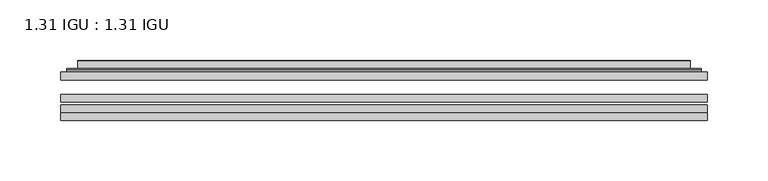
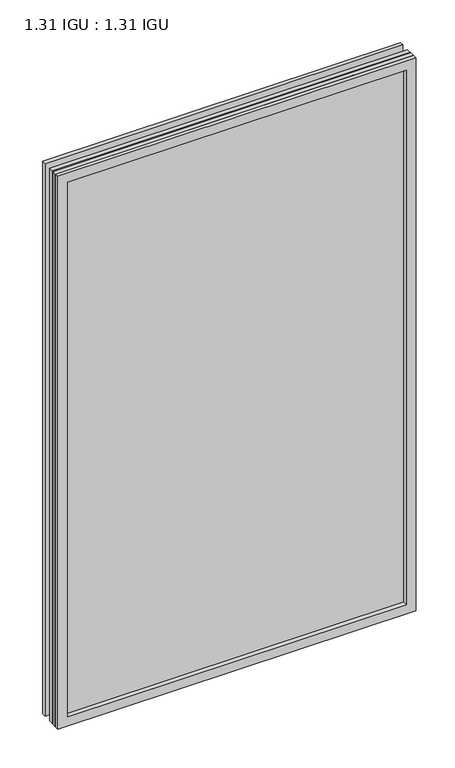
"""IFC4 building model written with IfcOpenShell, lengths in millimetres: plate geometry, 1.31 IGU : 1.31 IGU."""

import ifcopenshell
import ifcopenshell.guid

model = None  # the IFC model being written
_history = None  # IfcOwnerHistory: only IFC2X3 demands one
_inside = {}  # id of a spatial element -> (the spatial element, [elements in it])
_under = {}  # id of a project, library or spatial element -> (it, [spatial elements below it])
_declared = {}  # id of a project -> (the project, [libraries it declares])
_typed = {}  # id of a type object -> (the type object, [elements of that type])
_made_of = {}  # id of a material, layer set ... -> (it, [elements and type objects made of it])


def new_model(schema):
    """Start an empty IFC model of exactly this schema.

    Asked for "IFC4X3", IfcOpenShell would pick the latest addendum, in which some entities
    have other attributes; the version numbers below select the first issue.
    IFC2X3 requires an IfcOwnerHistory on every rooted entity: one is made here for all.
    """
    global model, _history
    if schema == "IFC4X3":
        model = ifcopenshell.file(schema_version=(4, 3, 0, 0))
    else:
        model = ifcopenshell.file(schema=schema)
    _inside.clear()
    _under.clear()
    _declared.clear()
    _typed.clear()
    _made_of.clear()
    _history = None
    if model.schema == "IFC2X3":
        org = make("IfcOrganization", Name="unknown")
        user = make(
            "IfcPersonAndOrganization",
            ThePerson=make("IfcPerson", FamilyName="unknown"),
            TheOrganization=org,
        )
        app = make(
            "IfcApplication",
            ApplicationDeveloper=org,
            Version="unknown",
            ApplicationFullName="unknown",
            ApplicationIdentifier="unknown",
        )
        _history = make(
            "IfcOwnerHistory",
            OwningUser=user,
            OwningApplication=app,
            ChangeAction="ADDED",
            CreationDate=0,
        )
    return model


def make(cls, **values):
    """One entity of the class cls with the attributes given. An attribute that is None is left unset."""
    return model.create_entity(
        cls, **{name: value for name, value in values.items() if value is not None}
    )


def rooted(cls, **values):
    """An entity with a GlobalId (a new one), such as an element, a storey or a relation."""
    return make(cls, GlobalId=ifcopenshell.guid.new(), OwnerHistory=_history, **values)


def si_unit(unit_type, name, prefix=None):
    """IfcSIUnit, for example si_unit("LENGTHUNIT", "METRE", prefix="MILLI")."""
    return make("IfcSIUnit", UnitType=unit_type, Prefix=prefix, Name=name)


def assignment(units):
    """IfcUnitAssignment: the units of a project."""
    return None if units is None else make("IfcUnitAssignment", Units=units)


def point(xyz):
    """IfcCartesianPoint."""
    return None if xyz is None else make("IfcCartesianPoint", Coordinates=xyz)


def direction(xyz):
    """IfcDirection."""
    return None if xyz is None else make("IfcDirection", DirectionRatios=xyz)


def frame(location, z_axis=None, x_axis=None):
    """IfcAxis2Placement3D, a coordinate frame: its origin and axes. An axis left out is left unset."""
    return make(
        "IfcAxis2Placement3D",
        Location=point(location),
        Axis=direction(z_axis),
        RefDirection=direction(x_axis),
    )


def origin():
    """The frame at (0, 0, 0) with its axes left unset."""
    return frame((0.0, 0.0, 0.0))


def place(relative_to, where):
    """IfcLocalPlacement: puts the frame where relative to a parent placement (None: the world)."""
    return make(
        "IfcLocalPlacement", PlacementRelTo=relative_to, RelativePlacement=where
    )


def context(
    kind, dimensions, precision=None, world=None, true_north=None, identifier=None
):
    """IfcGeometricRepresentationContext, for example the 3D "Model" context."""
    return make(
        "IfcGeometricRepresentationContext",
        ContextIdentifier=identifier,
        ContextType=kind,
        CoordinateSpaceDimension=dimensions,
        Precision=precision,
        WorldCoordinateSystem=world,
        TrueNorth=true_north,
    )


def project(units=None, contexts=None):
    """IfcProject with its units and contexts."""
    return rooted(
        "IfcProject",
        Name="project",
        RepresentationContexts=contexts,
        UnitsInContext=assignment(units),
    )


def spatial(cls, under=None, at=None, **own):
    """A site, building, storey or space (cls), placed at a placement, below another one or the project."""
    s = rooted(cls, ObjectPlacement=at, **own)
    if under is not None:
        _under.setdefault(under.id(), (under, []))[1].append(s)
    return s


def polyline(points):
    """IfcPolyline through the points."""
    return make("IfcPolyline", Points=[point(p) for p in points])


def ellipse_curve(where, semi_axis1, semi_axis2):
    """IfcEllipse in the frame where."""
    return make(
        "IfcEllipse", Position=where, SemiAxis1=semi_axis1, SemiAxis2=semi_axis2
    )


def outline(outer, holes=None, kind="AREA"):
    """IfcArbitraryClosedProfileDef: a profile drawn as a closed curve; with holes, ...WithVoids."""
    if holes is None:
        return make("IfcArbitraryClosedProfileDef", ProfileType=kind, OuterCurve=outer)
    return make(
        "IfcArbitraryProfileDefWithVoids",
        ProfileType=kind,
        OuterCurve=outer,
        InnerCurves=holes,
    )


def extrude(swept, where, along, depth):
    """IfcExtrudedAreaSolid: the profile swept, set in the frame where, extruded along a direction by depth."""
    return make(
        "IfcExtrudedAreaSolid",
        SweptArea=swept,
        Position=where,
        ExtrudedDirection=direction(along),
        Depth=depth,
    )


def faces_of(points, faces, orient=None, outer=None):
    """IfcFace entities. A face is a list of loops; a loop is a list of indices into points, from 0.

    orient and outer hold one flag for each loop. By default every Orientation is true, the
    first loop of a face is its IfcFaceOuterBound and the others are IfcFaceBound.
    """
    made = []
    for i, loops in enumerate(faces):
        bounds = []
        for j, loop in enumerate(loops):
            is_outer = j == 0 if outer is None else outer[i][j]
            bounds.append(
                make(
                    "IfcFaceOuterBound" if is_outer else "IfcFaceBound",
                    Bound=make("IfcPolyLoop", Polygon=[points[k] for k in loop]),
                    Orientation=True if orient is None else orient[i][j],
                )
            )
        made.append(make("IfcFace", Bounds=bounds))
    return made


def faceted_brep(points, faces, orient=None, outer=None, voids=None):
    """IfcFacetedBrep: a solid bounded by flat faces; with voids (closed shells), ...WithVoids."""
    shared = [point(p) for p in points]
    hull = make("IfcClosedShell", CfsFaces=faces_of(shared, faces, orient, outer))
    if voids is None:
        return make("IfcFacetedBrep", Outer=hull)
    return make(
        "IfcFacetedBrepWithVoids",
        Outer=hull,
        Voids=[
            make(cls, CfsFaces=faces_of(shared, fs, o, b)) for cls, fs, o, b in voids
        ],
    )


def shape(context_of_items, identifier, shape_type, items):
    """IfcShapeRepresentation: the items that make up one representation, for example the "Body"."""
    return make(
        "IfcShapeRepresentation",
        ContextOfItems=context_of_items,
        RepresentationIdentifier=identifier,
        RepresentationType=shape_type,
        Items=items,
    )


def source(mapping_origin, context_of_items, identifier, shape_type, items):
    """IfcRepresentationMap: a shape defined once, which mapped items show again and again."""
    return make(
        "IfcRepresentationMap",
        MappingOrigin=mapping_origin,
        MappedRepresentation=shape(context_of_items, identifier, shape_type, items),
    )


def transform(
    local_origin,
    x_axis=None,
    y_axis=None,
    z_axis=None,
    scale=None,
    scale2=None,
    scale3=None,
    uniform=True,
):
    """IfcCartesianTransformationOperator3D, or its non-uniform kind. x_axis, y_axis, z_axis: its Axis1, 2, 3."""
    if uniform:
        return make(
            "IfcCartesianTransformationOperator3D",
            Axis1=direction(x_axis),
            Axis2=direction(y_axis),
            LocalOrigin=point(local_origin),
            Scale=scale,
            Axis3=direction(z_axis),
        )
    return make(
        "IfcCartesianTransformationOperator3DnonUniform",
        Axis1=direction(x_axis),
        Axis2=direction(y_axis),
        LocalOrigin=point(local_origin),
        Scale=scale,
        Axis3=direction(z_axis),
        Scale2=scale2,
        Scale3=scale3,
    )


def mapped(mapping_source, mapping_target):
    """IfcMappedItem: shows the shape of a source again, moved by a transform."""
    return make(
        "IfcMappedItem", MappingSource=mapping_source, MappingTarget=mapping_target
    )


def made_of(thing, what):
    """Note that an element or type object is made of a material, layer set ...; save() writes the relation."""
    if what is not None:
        _made_of.setdefault(what.id(), (what, []))[1].append(thing)
    return thing


def element(
    cls,
    number,
    at=None,
    inside=None,
    cuts=None,
    type_object=None,
    material=None,
    context=None,
    identifier="Body",
    shape_type=None,
    held_by="IfcProductDefinitionShape",
    body=None,
    shapes=None,
    **own,
):
    """One element of the class cls, such as IfcWall. Its Tag is "e" and its number.

    at: its placement. inside: the storey or other place that contains it. cuts: it is an
    opening in that element (IfcRelVoidsElement). A single representation is given by context,
    identifier, shape_type and body (its items); several are given by shapes. held_by: the class
    of the entity that holds the representations. save() writes the other relations.
    """
    e = rooted(cls, Tag="e%d" % number, ObjectPlacement=at, **own)
    if body is not None:
        shapes = [shape(context, identifier, shape_type, body)]
    if shapes is not None:
        e.Representation = make(held_by, Representations=shapes)
    if inside is not None:
        _inside.setdefault(inside.id(), (inside, []))[1].append(e)
    if cuts is not None:
        rooted(
            "IfcRelVoidsElement", RelatingBuildingElement=cuts, RelatedOpeningElement=e
        )
    if type_object is not None:
        _typed.setdefault(type_object.id(), (type_object, []))[1].append(e)
    return made_of(e, material)


def aggregate(whole, parts):
    """IfcRelAggregates: a whole, such as a stair, and the parts it consists of."""
    return rooted("IfcRelAggregates", RelatingObject=whole, RelatedObjects=parts)


def save(model, path):
    """Write the relations noted so far, then the file.

    IfcRelAggregates (storeys below a building ...), IfcRelContainedInSpatialStructure (elements
    in a storey), IfcRelDefinesByType, IfcRelAssociatesMaterial and IfcRelDeclares: one each for
    every whole, place, type object, material and project.
    """
    for whole, parts in _under.values():
        aggregate(whole, parts)
    for where, things in _inside.values():
        rooted(
            "IfcRelContainedInSpatialStructure",
            RelatedElements=things,
            RelatingStructure=where,
        )
    for kind, things in _typed.values():
        rooted("IfcRelDefinesByType", RelatedObjects=things, RelatingType=kind)
    for what, things in _made_of.values():
        rooted("IfcRelAssociatesMaterial", RelatedObjects=things, RelatingMaterial=what)
    for by, libraries in _declared.values():
        rooted("IfcRelDeclares", RelatingContext=by, RelatedDefinitions=libraries)
    model.write(path)


def plane_surface(at):
    """IfcPlane: the flat surface through the origin of the frame at, square to its z axis."""
    return make("IfcPlane", Position=at)


def cylinder_surface(at, radius):
    """IfcCylindricalSurface: all points at the distance radius from the z axis of the frame at."""
    return make("IfcCylindricalSurface", Position=at, Radius=radius)


def advanced_brep(points, edges, surfaces, faces):
    """IfcAdvancedBrep: a solid bounded by faces that lie on surfaces and meet in shared edges.

    An edge is (start, end): straight between two places in points (the first is 0);
    or (start, end, curve); or (start, end, curve, False) where it runs against its curve.
    A face is (place in surfaces, loops), or (place, loops, False) where it looks against
    its surface's normal. A loop lists edges by number (the first is 1), with a minus sign
    where the edge is run from its end to its start. The first loop is the outer one.
    """
    corners = [point(p) for p in points]
    vertices = [make("IfcVertexPoint", VertexGeometry=c) for c in corners]
    made = []
    for start, end, *more in edges:
        made.append(
            make(
                "IfcEdgeCurve",
                EdgeStart=vertices[start],
                EdgeEnd=vertices[end],
                EdgeGeometry=more[0] if more else make("IfcPolyline", Points=[corners[start], corners[end]]),
                SameSense=more[1] if len(more) > 1 else True,
            )
        )
    hull = []
    for where, loops, *sense in faces:
        bounds = []
        for j, loop in enumerate(loops):
            ring = [make("IfcOrientedEdge", EdgeElement=made[abs(k) - 1], Orientation=k > 0) for k in loop]
            bounds.append(
                make(
                    "IfcFaceOuterBound" if j == 0 else "IfcFaceBound",
                    Bound=make("IfcEdgeLoop", EdgeList=ring),
                    Orientation=True,
                )
            )
        hull.append(make("IfcAdvancedFace", Bounds=bounds, FaceSurface=surfaces[where], SameSense=sense[0] if sense else True))
    return make("IfcAdvancedBrep", Outer=make("IfcClosedShell", CfsFaces=hull))


def plate_1_31_igu_1_31_igu_bd5dd6b6(model_context):
    return source(origin(), model_context, "Body", "SolidModel", [
        extrude(outline(polyline([(266.714175, -63.2975937), (266.714175, -69.6475938), (-266.7, -69.6475938), (-266.7, -63.2975937), (266.714175, -63.2975937)])), frame((0.0, 0.0, -14.2875), z_axis=(0.0, 0.0, 1.0), x_axis=(1.0, 0.0, 0.0)), (0.0, 0.0, 1.0), 869.9537979),
        extrude(outline(polyline([(-266.7, -78.2835938), (-266.7, -71.9330887), (266.714175, -71.9330887), (266.714175, -78.2835938), (-266.7, -78.2835938)])), frame((0.0, 0.0, -14.2875), z_axis=(0.0, 0.0, 1.0), x_axis=(1.0, 0.0, 0.0)), (0.0, 0.0, 1.0), 869.9537979),
        extrude(outline(polyline([(266.714175, -44.9587937), (266.714175, -51.3087938), (-266.7, -51.3087938), (-266.7, -44.9587937), (266.714175, -44.9587937)])), frame((0.0, 0.0, -14.2875), z_axis=(0.0, 0.0, 1.0), x_axis=(1.0, 0.0, 0.0)), (0.0, 0.0, 1.0), 869.9537979),
        faceted_brep([(-266.7127, -84.6335937, 855.6752), (-266.7127, -78.2835937, 855.6752), (-266.7127, -78.2835937, -14.3002), (-266.7127, -84.6335937, -14.3002), (266.7127, -78.2835937, -14.3002), (266.7127, -84.6335937, -14.3002), (266.7127, -78.2835937, 855.6752), (266.7127, -84.6335937, 855.6752), (-251.5147559, -78.2835937, 0.8977441), (251.5147559, -78.2835937, 0.8977441), (251.5147559, -78.2835937, 840.4772559), (-251.5147559, -78.2835937, 840.4772559), (-252.4071902, -84.6335937, 841.3696902), (252.4071902, -84.6335937, 841.3696902), (252.4071902, -84.6335937, 0.0053098), (-252.4071902, -84.6335937, 0.0053098)], [[[0, 1, 2, 3]], [[3, 2, 4, 5]], [[5, 4, 6, 7]], [[1, 6, 4, 2], [8, 9, 10, 11]], [[7, 6, 1, 0]], [[3, 5, 7, 0], [12, 13, 14, 15]], [[11, 12, 15, 8]], [[8, 15, 14, 9]], [[9, 14, 13, 10]], [[10, 13, 12, 11]]]),
        advanced_brep(
        [(-259.458719, -44.9587937, 848.421219), (-261.8129244, -42.9691271, 850.7754244), (-261.8129244, -42.9691271, -9.4004244), (-259.458719, -44.9587937, -7.046219), (-250.3843939, -41.1187568, 839.3468939), (-245.4495621, -44.9587937, 834.4120621), (-245.4495621, -44.9587937, 6.9629379), (-250.3843939, -41.1187568, 2.0281061), (-251.4164217, -35.7215256, 840.3789217), (-251.4164217, -35.7215256, 0.9960783), (-252.4070784, -35.3225507, 841.3695784), (-252.4070784, -35.3225507, 0.0054216), (-252.4070784, -41.7837937, 841.3695784), (-252.4070784, -41.7837937, 0.0054216), (-260.8111349, -41.7837937, 849.7736349), (-260.8111349, -41.7837937, -8.3986349), (261.8129244, -42.9691271, -9.4004244), (259.458719, -44.9587937, -7.046219), (245.4495621, -44.9587937, 6.9629379), (250.3843939, -41.1187568, 2.0281061), (251.4164217, -35.7215256, 0.9960783), (252.4070784, -35.3225507, 0.0054216), (252.4070784, -41.7837937, 0.0054216), (260.8111349, -41.7837937, -8.3986349), (261.8129244, -42.9691271, 850.7754244), (259.458719, -44.9587937, 848.421219), (245.4495621, -44.9587937, 834.4120621), (250.3843939, -41.1187568, 839.3468939), (251.4164217, -35.7215256, 840.3789217), (252.4070784, -35.3225507, 841.3695784), (252.4070784, -41.7837937, 841.3695784), (260.8111349, -41.7837937, 849.7736349)],
        [
            (0, 1, ellipse_curve(frame((-259.458719, -42.5711937, 848.421219), z_axis=(-0.7071067811865475, 0.0, -0.7071067811865475), x_axis=(-0.7071067811865474, 0.0, 0.7071067811865476)), 3.3765763, 2.3876)),
            (1, 2),
            (2, 3, ellipse_curve(frame((-259.458719, -42.5711937, -7.046219), z_axis=(-0.7071067811865475, 0.0, 0.7071067811865475), x_axis=(0.7071067811865474, 0.0, 0.7071067811865476)), 3.3765763, 2.3876)),
            (3, 0),
            (4, 5),
            (5, 6),
            (6, 7),
            (7, 4),
            (8, 4),
            (7, 9),
            (9, 8),
            (10, 8, ellipse_curve(frame((-252.0401219, -35.840786, 841.0026219), z_axis=(-0.7071067811865475, 0.0, -0.7071067811865475), x_axis=(-0.7071067811865474, 0.0, 0.7071067811865476)), 0.8980256, 0.635)),
            (9, 11, ellipse_curve(frame((-252.0401219, -35.840786, 0.3723781), z_axis=(-0.7071067811865475, 0.0, 0.7071067811865475), x_axis=(0.7071067811865474, 0.0, 0.7071067811865476)), 0.8980256, 0.635)),
            (11, 10),
            (12, 10),
            (11, 13),
            (13, 12),
            (1, 14, ellipse_curve(frame((-260.8111349, -42.7997937, 849.7736349), z_axis=(-0.7071067811865475, 0.0, -0.7071067811865475), x_axis=(-0.7071067811865474, 0.0, 0.7071067811865476)), 1.436841, 1.016)),
            (14, 15),
            (15, 2, ellipse_curve(frame((-260.8111349, -42.7997937, -8.3986349), z_axis=(-0.7071067811865475, 0.0, 0.7071067811865475), x_axis=(0.7071067811865474, 0.0, 0.7071067811865476)), 1.436841, 1.016)),
            (2, 16),
            (16, 17, ellipse_curve(frame((259.458719, -42.5711937, -7.046219), z_axis=(-0.7071067811865475, 0.0, -0.7071067811865475), x_axis=(-0.7071067811865476, 0.0, 0.7071067811865474)), 3.3765763, 2.3876)),
            (17, 3),
            (6, 18),
            (18, 19),
            (19, 7),
            (19, 20),
            (20, 9),
            (20, 21, ellipse_curve(frame((252.0401219, -35.840786, 0.3723781), z_axis=(-0.7071067811865475, 0.0, -0.7071067811865475), x_axis=(-0.7071067811865476, 0.0, 0.7071067811865474)), 0.8980256, 0.635)),
            (21, 11),
            (21, 22),
            (22, 13),
            (15, 23),
            (23, 16, ellipse_curve(frame((260.8111349, -42.7997937, -8.3986349), z_axis=(-0.7071067811865475, 0.0, -0.7071067811865475), x_axis=(-0.7071067811865476, 0.0, 0.7071067811865474)), 1.436841, 1.016)),
            (16, 24),
            (24, 25, ellipse_curve(frame((259.458719, -42.5711937, 848.421219), z_axis=(0.7071067811865475, 0.0, -0.7071067811865475), x_axis=(-0.7071067811865474, 0.0, -0.7071067811865476)), 3.3765763, 2.3876)),
            (25, 17),
            (18, 26),
            (26, 27),
            (27, 19),
            (27, 28),
            (28, 20),
            (28, 29, ellipse_curve(frame((252.0401219, -35.840786, 841.0026219), z_axis=(0.7071067811865475, 0.0, -0.7071067811865475), x_axis=(-0.7071067811865474, 0.0, -0.7071067811865476)), 0.8980256, 0.635)),
            (29, 21),
            (29, 30),
            (30, 22),
            (23, 31),
            (31, 24, ellipse_curve(frame((260.8111349, -42.7997937, 849.7736349), z_axis=(0.7071067811865475, 0.0, -0.7071067811865475), x_axis=(-0.7071067811865474, 0.0, -0.7071067811865476)), 1.436841, 1.016)),
            (24, 1),
            (0, 25),
            (5, 26),
            (4, 27),
            (8, 28),
            (10, 29),
            (12, 30),
            (14, 31),
        ],
        [
            cylinder_surface(frame((-259.458719, -42.5711937, 873.125), z_axis=(0.0, 0.0, 1.0), x_axis=(-1.0, 0.0, 0.0)), 2.3876),
            plane_surface(frame((-245.4495621, -44.9587937, 834.4120621), z_axis=(0.6141233906514794, 0.7892100234124821, 0.0), x_axis=(0.0, 0.0, -1.0))),
            plane_surface(frame((-250.3843939, -41.1187568, 839.3468939), z_axis=(0.9822050625507729, 0.18781164793386076, 0.0), x_axis=(0.0, 0.0, -1.0))),
            cylinder_surface(frame((-252.0401219, -35.840786, 873.125), z_axis=(0.0, 0.0, 1.0), x_axis=(-1.0, 0.0, 0.0)), 0.635),
            plane_surface(frame((-252.4070784, -35.3225507, 841.3695784), z_axis=(-1.0, 0.0, 0.0), x_axis=(0.0, 0.0, -1.0))),
            cylinder_surface(frame((-260.8111349, -42.7997937, 873.125), z_axis=(0.0, 0.0, 1.0), x_axis=(-1.0, 0.0, 0.0)), 1.016),
            cylinder_surface(frame((-284.1625, -42.5711937, -7.046219), z_axis=(-1.0, 0.0, 0.0), x_axis=(0.0, 0.0, -1.0)), 2.3876),
            plane_surface(frame((-245.4495621, -44.9587937, 6.9629379), z_axis=(0.0, 0.7892100234124841, 0.6141233906514768), x_axis=(1.0, 0.0, 0.0))),
            plane_surface(frame((-250.3843939, -41.1187568, 2.0281061), z_axis=(0.0, 0.18781164793386393, 0.9822050625507723), x_axis=(1.0, 0.0, 0.0))),
            cylinder_surface(frame((-284.1625, -35.840786, 0.3723781), z_axis=(-1.0, 0.0, 0.0), x_axis=(0.0, 0.0, -1.0)), 0.635),
            plane_surface(frame((-252.4070784, -35.3225507, 0.0054216), z_axis=(0.0, 0.0, -1.0), x_axis=(1.0, 0.0, 0.0))),
            cylinder_surface(frame((-284.1625, -42.7997937, -8.3986349), z_axis=(-1.0, 0.0, 0.0), x_axis=(0.0, 0.0, -1.0)), 1.016),
            cylinder_surface(frame((259.458719, -42.5711937, -31.75), z_axis=(0.0, 0.0, -1.0), x_axis=(1.0, 0.0, 0.0)), 2.3876),
            plane_surface(frame((245.4495621, -44.9587937, 6.9629379), z_axis=(-0.6141233906514743, 0.7892100234124861, 0.0), x_axis=(0.0, 0.0, 1.0))),
            plane_surface(frame((250.3843939, -41.1187568, 2.0281061), z_axis=(-0.9822050625507718, 0.1878116479338671, 0.0), x_axis=(0.0, 0.0, 1.0))),
            cylinder_surface(frame((252.0401219, -35.840786, -31.75), z_axis=(0.0, 0.0, -1.0), x_axis=(1.0, 0.0, 0.0)), 0.635),
            plane_surface(frame((252.4070784, -35.3225507, 0.0054216), z_axis=(1.0, 0.0, 0.0), x_axis=(0.0, 0.0, 1.0))),
            cylinder_surface(frame((260.8111349, -42.7997937, -31.75), z_axis=(0.0, 0.0, -1.0), x_axis=(1.0, 0.0, 0.0)), 1.016),
            cylinder_surface(frame((284.1625, -42.5711937, 848.421219), z_axis=(1.0, 0.0, 0.0), x_axis=(0.0, 0.0, 1.0)), 2.3876),
            plane_surface(frame((259.458719, -44.9587937, 848.421219), z_axis=(0.0, -1.0, 0.0), x_axis=(-1.0, 0.0, 0.0))),
            plane_surface(frame((245.4495621, -44.9587937, 834.4120621), z_axis=(0.0, 0.7892100234124841, -0.6141233906514768), x_axis=(-1.0, 0.0, 0.0))),
            plane_surface(frame((250.3843939, -41.1187568, 839.3468939), z_axis=(0.0, 0.18781164793386393, -0.9822050625507723), x_axis=(-1.0, 0.0, 0.0))),
            cylinder_surface(frame((284.1625, -35.840786, 841.0026219), z_axis=(1.0, 0.0, 0.0), x_axis=(0.0, 0.0, 1.0)), 0.635),
            plane_surface(frame((252.4070784, -35.3225507, 841.3695784), z_axis=(0.0, 0.0, 1.0), x_axis=(-1.0, 0.0, 0.0))),
            plane_surface(frame((252.4070784, -41.7837937, 841.3695784), z_axis=(0.0, 1.0, 0.0), x_axis=(-1.0, 0.0, 0.0))),
            cylinder_surface(frame((284.1625, -42.7997937, 849.7736349), z_axis=(1.0, 0.0, 0.0), x_axis=(0.0, 0.0, 1.0)), 1.016),
        ],
        [
            (0, [[1, 2, 3, 4]]),
            (1, [[5, 6, 7, 8]]),
            (2, [[9, -8, 10, 11]]),
            (3, [[12, -11, 13, 14]]),
            (4, [[15, -14, 16, 17]]),
            (5, [[18, 19, 20, -2]]),
            (6, [[-3, 21, 22, 23]]),
            (7, [[-7, 24, 25, 26]]),
            (8, [[-10, -26, 27, 28]]),
            (9, [[-13, -28, 29, 30]]),
            (10, [[-16, -30, 31, 32]]),
            (11, [[-20, 33, 34, -21]]),
            (12, [[-22, 35, 36, 37]]),
            (13, [[-25, 38, 39, 40]]),
            (14, [[-27, -40, 41, 42]]),
            (15, [[-29, -42, 43, 44]]),
            (16, [[-31, -44, 45, 46]]),
            (17, [[-34, 47, 48, -35]]),
            (18, [[-36, 49, -1, 50]]),
            (19, [[-23, -37, -50, -4], [51, -38, -24, -6]]),
            (20, [[-39, -51, -5, 52]]),
            (21, [[-41, -52, -9, 53]]),
            (22, [[-43, -53, -12, 54]]),
            (23, [[-45, -54, -15, 55]]),
            (24, [[56, -47, -33, -19], [-32, -46, -55, -17]]),
            (25, [[-48, -56, -18, -49]]),
        ],
    ),
    ])


if __name__ == "__main__":
    model = new_model("IFC4")
    model_context = context("Model", 3, world=origin())
    ifc_project = project(units=[si_unit("LENGTHUNIT", "METRE", prefix="MILLI")], contexts=[model_context])
    site = spatial("IfcSite", under=ifc_project)
    building = spatial("IfcBuilding", under=site)
    placement = place(None, origin())
    plate_1_31_igu_1_31_igu_shape = plate_1_31_igu_1_31_igu_bd5dd6b6(model_context)
    element("IfcPlate", 1, ObjectType="1.31 IGU : 1.31 IGU", at=placement, inside=building, context=model_context, shape_type="MappedRepresentation", body=[
        mapped(plate_1_31_igu_1_31_igu_shape, transform((0.0, 0.0, 0.0), x_axis=(1.0, 0.0, 0.0), y_axis=(0.0, 1.0, 0.0), z_axis=(0.0, 0.0, 1.0))),
    ])
    save(model, "model.ifc")
